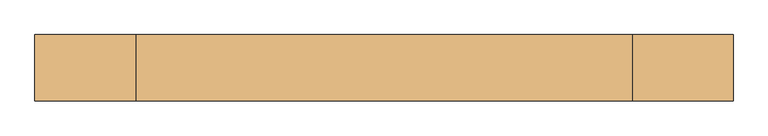
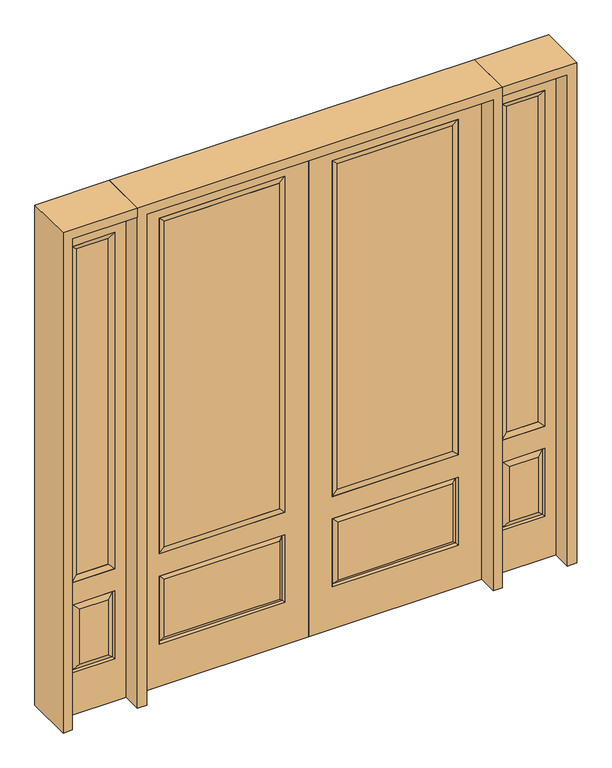
"""IFC4 building model written with IfcOpenShell, lengths in millimetres: door geometry."""

from ifc_helpers import new_model, si_unit, frame, origin, place, context, project, spatial, polyline, outline, extrude, faceted_brep, source, transform, mapped, element, save


def door_1407e17b(model_context):
    return source(origin(), model_context, "Body", "SolidModel", [
        extrude(outline(polyline([(136.525, -20.32), (136.525, 5.08), (676.275, 5.08), (676.275, -20.32), (136.525, -20.32)])), frame((0.0, 0.0, 682.498), z_axis=(0.0, 0.0, 1.0), x_axis=(1.0, 0.0, 0.0)), (0.0, 0.0, 1.0), 1616.202),
        faceted_brep([(694.5661499, -12.7912373, 216.6588501), (677.06875, -22.225, 234.15625), (135.73125, -22.225, 234.15625), (118.2338501, -12.7912373, 216.6588501), (111.125, -22.225, 209.55), (701.675, -22.225, 209.55), (701.675, -22.225, 546.1), (694.5661499, -12.7912373, 538.9911499), (0.0, -22.225, 2438.4), (0.0, -22.225, 0.0), (812.8, -22.225, 0.0), (812.8, -22.225, 2438.4), (111.125, -22.225, 546.1), (111.125, -22.225, 2324.1), (701.675, -22.225, 2324.1), (701.675, -22.225, 657.098), (111.125, -22.225, 657.098), (677.06875, -22.225, 521.49375), (135.73125, -22.225, 521.49375), (118.2338501, -12.7912373, 538.9911499), (812.8, 22.225, 0.0), (812.8, 22.225, 2438.4), (0.0, 22.225, 0.0), (0.0, 22.225, 2438.4), (111.125, 22.225, 657.098), (111.125, 22.225, 2324.1), (701.675, 22.225, 657.098), (701.675, 22.225, 2324.1), (135.73125, 22.225, 234.15625), (135.73125, 22.225, 521.49375), (677.06875, 22.225, 521.49375), (677.06875, 22.225, 234.15625), (701.675, 22.225, 209.55), (701.675, 22.225, 546.1), (111.125, 22.225, 546.1), (111.125, 22.225, 209.55), (118.2338501, 12.7912373, 216.6588501), (694.5661499, 12.7912373, 216.6588501), (118.2338501, 12.7912373, 538.9911499), (694.5661499, 12.7912373, 538.9911499)], [[[0, 1, 2, 3]], [[3, 4, 5, 0]], [[5, 6, 7, 0]], [[8, 9, 10, 11], [4, 12, 6, 5], [13, 14, 15, 16]], [[1, 17, 18, 2]], [[3, 19, 12, 4]], [[2, 18, 19, 3]], [[0, 7, 17, 1]], [[6, 12, 19, 7]], [[7, 19, 18, 17]], [[10, 20, 21, 11]], [[9, 22, 20, 10]], [[8, 23, 22, 9]], [[16, 24, 25, 13]], [[15, 26, 24, 16]], [[14, 27, 26, 15]], [[28, 29, 30, 31]], [[23, 21, 20, 22], [25, 24, 26, 27], [32, 33, 34, 35]], [[32, 35, 36, 37]], [[35, 34, 38, 36]], [[39, 38, 34, 33]], [[37, 39, 33, 32]], [[36, 28, 31, 37]], [[31, 30, 39, 37]], [[30, 29, 38, 39]], [[36, 38, 29, 28]], [[11, 21, 23, 8]], [[13, 25, 27, 14]]]),
        faceted_brep([(701.675, -22.225, 2324.1), (701.675, -22.225, 657.098), (701.675, 22.225, 657.098), (701.675, 22.225, 2324.1), (111.125, -22.225, 657.098), (111.125, 22.225, 657.098), (136.525, 5.08, 682.498), (676.275, 5.08, 682.498), (111.125, -22.225, 2324.1), (111.125, 22.225, 2324.1), (676.275, -20.32, 682.498), (136.525, -20.32, 682.498), (676.275, -20.32, 2298.7), (136.525, -20.32, 2298.7), (676.275, 5.08, 2298.7), (136.525, 5.08, 2298.7)], [[[0, 1, 2, 3]], [[1, 4, 5, 2]], [[2, 5, 6, 7]], [[4, 8, 9, 5]], [[10, 11, 4, 1]], [[12, 10, 1, 0]], [[11, 13, 8, 4]], [[7, 6, 11, 10]], [[14, 7, 10, 12]], [[6, 15, 13, 11]], [[3, 2, 7, 14]], [[5, 9, 15, 6]], [[8, 0, 3, 9]], [[13, 12, 0, 8]], [[15, 14, 12, 13]], [[9, 3, 14, 15]]]),
        faceted_brep([(857.25, -22.225, 0.0), (1162.05, -22.225, 0.0), (1162.05, -22.225, 2438.4), (857.25, -22.225, 2438.4), (1109.98, -22.225, 2325.624), (1109.98, -22.225, 657.098), (909.32, -22.225, 657.098), (909.32, -22.225, 2325.624), (1109.98, -22.225, 209.55), (909.32, -22.225, 209.55), (909.32, -22.225, 546.1), (1109.98, -22.225, 546.1), (941.0351001, -22.225, 241.2651001), (1078.2648999, -22.225, 241.2651001), (1078.2648999, -22.225, 514.3848999), (941.0351001, -22.225, 514.3848999), (857.25, 22.225, 0.0), (857.25, 22.225, 2438.4), (1162.05, 22.225, 2438.4), (1162.05, 22.225, 0.0), (1109.98, 22.225, 2325.624), (909.32, 22.225, 2325.624), (909.32, 22.225, 657.098), (1109.98, 22.225, 657.098), (909.32, 22.225, 209.55), (1109.98, 22.225, 209.55), (1109.98, 22.225, 546.1), (909.32, 22.225, 546.1), (1078.2648999, 22.225, 241.2651001), (941.0351001, 22.225, 241.2651001), (941.0351001, 22.225, 514.3848999), (1078.2648999, 22.225, 514.3848999), (1102.8711499, 12.7912373, 216.6588501), (916.4288501, 12.7912373, 216.6588501), (916.4288501, 12.7912373, 538.9911499), (1102.8711499, 12.7912373, 538.9911499), (916.4288501, -12.7912373, 216.6588501), (1102.8711499, -12.7912373, 216.6588501), (916.4288501, -12.7912373, 538.9911499), (1102.8711499, -12.7912373, 538.9911499)], [[[0, 1, 2, 3], [4, 5, 6, 7], [8, 9, 10, 11]], [[12, 13, 14, 15]], [[16, 17, 18, 19], [20, 21, 22, 23], [24, 25, 26, 27]], [[28, 29, 30, 31]], [[1, 0, 16, 19]], [[2, 1, 19, 18]], [[3, 2, 18, 17]], [[0, 3, 17, 16]], [[5, 4, 20, 23]], [[6, 5, 23, 22]], [[7, 6, 22, 21]], [[4, 7, 21, 20]], [[32, 33, 29, 28]], [[33, 32, 25, 24]], [[29, 33, 34, 30]], [[33, 24, 27, 34]], [[30, 34, 35, 31]], [[34, 27, 26, 35]], [[32, 28, 31, 35]], [[25, 32, 35, 26]], [[12, 36, 37, 13]], [[37, 36, 9, 8]], [[36, 12, 15, 38]], [[9, 36, 38, 10]], [[38, 15, 14, 39]], [[10, 38, 39, 11]], [[13, 37, 39, 14]], [[37, 8, 11, 39]]]),
        faceted_brep([(909.32, 22.225, 2325.624), (909.32, -22.225, 2325.624), (1109.98, -22.225, 2325.624), (1109.98, 22.225, 2325.624), (934.72, 12.7, 2300.224), (1084.58, 12.7, 2300.224), (934.72, -12.7, 2300.224), (1084.58, -12.7, 2300.224), (1109.98, -22.225, 657.098), (1109.98, 22.225, 657.098), (1084.58, 12.7, 682.498), (1084.58, -12.7, 682.498), (909.32, -22.225, 657.098), (909.32, 22.225, 657.098), (934.72, 12.7, 682.498), (934.72, -12.7, 682.498)], [[[0, 1, 2, 3]], [[4, 0, 3, 5]], [[6, 4, 5, 7]], [[1, 6, 7, 2]], [[3, 2, 8, 9]], [[5, 3, 9, 10]], [[7, 5, 10, 11]], [[2, 7, 11, 8]], [[9, 8, 12, 13]], [[10, 9, 13, 14]], [[11, 10, 14, 15]], [[8, 11, 15, 12]], [[13, 12, 1, 0]], [[14, 13, 0, 4]], [[15, 14, 4, 6]], [[12, 15, 6, 1]]]),
        extrude(outline(polyline([(1084.58, -12.7), (934.72, -12.7), (934.72, 12.7), (1084.58, 12.7), (1084.58, -12.7)])), frame((0.0, 0.0, 682.498), z_axis=(0.0, 0.0, 1.0), x_axis=(1.0, 0.0, 0.0)), (0.0, 0.0, 1.0), 1617.726),
        faceted_brep([(-1162.05, -22.225, 0.0), (-857.25, -22.225, 0.0), (-857.25, -22.225, 2438.4), (-1162.05, -22.225, 2438.4), (-909.32, -22.225, 2325.624), (-909.32, -22.225, 657.098), (-1109.98, -22.225, 657.098), (-1109.98, -22.225, 2325.624), (-909.32, -22.225, 209.55), (-1109.98, -22.225, 209.55), (-1109.98, -22.225, 546.1), (-909.32, -22.225, 546.1), (-1078.2648999, -22.225, 241.2651001), (-941.0351001, -22.225, 241.2651001), (-941.0351001, -22.225, 514.3848999), (-1078.2648999, -22.225, 514.3848999), (-1162.05, 22.225, 0.0), (-1162.05, 22.225, 2438.4), (-857.25, 22.225, 2438.4), (-857.25, 22.225, 0.0), (-909.32, 22.225, 2325.624), (-1109.98, 22.225, 2325.624), (-1109.98, 22.225, 657.098), (-909.32, 22.225, 657.098), (-1109.98, 22.225, 209.55), (-909.32, 22.225, 209.55), (-909.32, 22.225, 546.1), (-1109.98, 22.225, 546.1), (-941.0351001, 22.225, 241.2651001), (-1078.2648999, 22.225, 241.2651001), (-1078.2648999, 22.225, 514.3848999), (-941.0351001, 22.225, 514.3848999), (-916.4288501, 12.7912373, 216.6588501), (-1102.8711499, 12.7912373, 216.6588501), (-1102.8711499, 12.7912373, 538.9911499), (-916.4288501, 12.7912373, 538.9911499), (-1102.8711499, -12.7912373, 216.6588501), (-916.4288501, -12.7912373, 216.6588501), (-1102.8711499, -12.7912373, 538.9911499), (-916.4288501, -12.7912373, 538.9911499)], [[[0, 1, 2, 3], [4, 5, 6, 7], [8, 9, 10, 11]], [[12, 13, 14, 15]], [[16, 17, 18, 19], [20, 21, 22, 23], [24, 25, 26, 27]], [[28, 29, 30, 31]], [[1, 0, 16, 19]], [[2, 1, 19, 18]], [[3, 2, 18, 17]], [[0, 3, 17, 16]], [[5, 4, 20, 23]], [[6, 5, 23, 22]], [[7, 6, 22, 21]], [[4, 7, 21, 20]], [[32, 33, 29, 28]], [[33, 32, 25, 24]], [[29, 33, 34, 30]], [[33, 24, 27, 34]], [[30, 34, 35, 31]], [[34, 27, 26, 35]], [[32, 28, 31, 35]], [[25, 32, 35, 26]], [[12, 36, 37, 13]], [[37, 36, 9, 8]], [[36, 12, 15, 38]], [[9, 36, 38, 10]], [[38, 15, 14, 39]], [[10, 38, 39, 11]], [[13, 37, 39, 14]], [[37, 8, 11, 39]]]),
        faceted_brep([(-1109.98, 22.225, 2325.624), (-1109.98, -22.225, 2325.624), (-909.32, -22.225, 2325.624), (-909.32, 22.225, 2325.624), (-1084.58, 12.7, 2300.224), (-934.72, 12.7, 2300.224), (-1084.58, -12.7, 2300.224), (-934.72, -12.7, 2300.224), (-909.32, -22.225, 657.098), (-909.32, 22.225, 657.098), (-934.72, 12.7, 682.498), (-934.72, -12.7, 682.498), (-1109.98, -22.225, 657.098), (-1109.98, 22.225, 657.098), (-1084.58, 12.7, 682.498), (-1084.58, -12.7, 682.498)], [[[0, 1, 2, 3]], [[4, 0, 3, 5]], [[6, 4, 5, 7]], [[1, 6, 7, 2]], [[3, 2, 8, 9]], [[5, 3, 9, 10]], [[7, 5, 10, 11]], [[2, 7, 11, 8]], [[9, 8, 12, 13]], [[10, 9, 13, 14]], [[11, 10, 14, 15]], [[8, 11, 15, 12]], [[13, 12, 1, 0]], [[14, 13, 0, 4]], [[15, 14, 4, 6]], [[12, 15, 6, 1]]]),
        extrude(outline(polyline([(-934.72, -12.7), (-1084.58, -12.7), (-1084.58, 12.7), (-934.72, 12.7), (-934.72, -12.7)])), frame((0.0, 0.0, 682.498), z_axis=(0.0, 0.0, 1.0), x_axis=(1.0, 0.0, 0.0)), (0.0, 0.0, 1.0), 1617.726),
        extrude(outline(polyline([(-136.525, -20.32), (-676.275, -20.32), (-676.275, 5.08), (-136.525, 5.08), (-136.525, -20.32)])), frame((0.0, 0.0, 682.498), z_axis=(0.0, 0.0, 1.0), x_axis=(1.0, 0.0, 0.0)), (0.0, 0.0, 1.0), 1616.202),
        faceted_brep([(-694.5661499, -12.7912373, 216.6588501), (-118.2338501, -12.7912373, 216.6588501), (-135.73125, -22.225, 234.15625), (-677.06875, -22.225, 234.15625), (-701.675, -22.225, 209.55), (-111.125, -22.225, 209.55), (-694.5661499, -12.7912373, 538.9911499), (-701.675, -22.225, 546.1), (-135.73125, -22.225, 521.49375), (-677.06875, -22.225, 521.49375), (0.0, -22.225, 2438.4), (-812.8, -22.225, 2438.4), (-812.8, -22.225, 0.0), (0.0, -22.225, 0.0), (-111.125, -22.225, 546.1), (-111.125, -22.225, 2324.1), (-111.125, -22.225, 657.098), (-701.675, -22.225, 657.098), (-701.675, -22.225, 2324.1), (-118.2338501, -12.7912373, 538.9911499), (-812.8, 22.225, 2438.4), (-812.8, 22.225, 0.0), (0.0, 22.225, 0.0), (0.0, 22.225, 2438.4), (-111.125, 22.225, 2324.1), (-111.125, 22.225, 657.098), (-701.675, 22.225, 657.098), (-701.675, 22.225, 2324.1), (-701.675, 22.225, 209.55), (-111.125, 22.225, 209.55), (-111.125, 22.225, 546.1), (-701.675, 22.225, 546.1), (-135.73125, 22.225, 234.15625), (-677.06875, 22.225, 234.15625), (-677.06875, 22.225, 521.49375), (-135.73125, 22.225, 521.49375), (-694.5661499, 12.7912373, 216.6588501), (-118.2338501, 12.7912373, 216.6588501), (-118.2338501, 12.7912373, 538.9911499), (-694.5661499, 12.7912373, 538.9911499)], [[[0, 1, 2, 3]], [[1, 0, 4, 5]], [[4, 0, 6, 7]], [[3, 2, 8, 9]], [[10, 11, 12, 13], [5, 4, 7, 14], [15, 16, 17, 18]], [[1, 5, 14, 19]], [[2, 1, 19, 8]], [[0, 3, 9, 6]], [[7, 6, 19, 14]], [[6, 9, 8, 19]], [[12, 11, 20, 21]], [[13, 12, 21, 22]], [[10, 13, 22, 23]], [[16, 15, 24, 25]], [[17, 16, 25, 26]], [[18, 17, 26, 27]], [[23, 22, 21, 20], [28, 29, 30, 31], [24, 27, 26, 25]], [[32, 33, 34, 35]], [[28, 36, 37, 29]], [[29, 37, 38, 30]], [[39, 31, 30, 38]], [[36, 28, 31, 39]], [[37, 36, 33, 32]], [[33, 36, 39, 34]], [[34, 39, 38, 35]], [[37, 32, 35, 38]], [[11, 10, 23, 20]], [[15, 18, 27, 24]]]),
        faceted_brep([(-701.675, -22.225, 2324.1), (-701.675, 22.225, 2324.1), (-701.675, 22.225, 657.098), (-701.675, -22.225, 657.098), (-111.125, 22.225, 657.098), (-111.125, -22.225, 657.098), (-676.275, 5.08, 682.498), (-136.525, 5.08, 682.498), (-111.125, 22.225, 2324.1), (-111.125, -22.225, 2324.1), (-676.275, -20.32, 682.498), (-136.525, -20.32, 682.498), (-676.275, -20.32, 2298.7), (-136.525, -20.32, 2298.7), (-676.275, 5.08, 2298.7), (-136.525, 5.08, 2298.7)], [[[0, 1, 2, 3]], [[3, 2, 4, 5]], [[2, 6, 7, 4]], [[5, 4, 8, 9]], [[10, 3, 5, 11]], [[12, 0, 3, 10]], [[11, 5, 9, 13]], [[6, 10, 11, 7]], [[14, 12, 10, 6]], [[7, 11, 13, 15]], [[1, 14, 6, 2]], [[4, 7, 15, 8]], [[9, 8, 1, 0]], [[13, 9, 0, 12]], [[15, 13, 12, 14]], [[8, 15, 14, 1]]]),
        extrude(outline(polyline([(2438.4, -857.25), (2482.85, -857.25), (2482.85, -1206.5), (0.0, -1206.5), (0.0, -1162.05), (2438.4, -1162.05), (2438.4, -857.25)])), frame((0.0, -114.3, 0.0), z_axis=(0.0, 1.0, 0.0), x_axis=(0.0, 0.0, 1.0)), (0.0, 0.0, 1.0), 228.6),
        extrude(outline(polyline([(2482.85, -857.25), (0.0, -857.25), (0.0, -812.8), (2438.4, -812.8), (2438.4, 812.8), (0.0, 812.8), (0.0, 857.25), (2482.85, 857.25), (2482.85, -857.25)])), frame((0.0, -114.3, 0.0), z_axis=(0.0, 1.0, 0.0), x_axis=(0.0, 0.0, 1.0)), (0.0, 0.0, 1.0), 228.6),
        extrude(outline(polyline([(0.0, 1162.05), (0.0, 1206.5), (2482.85, 1206.5), (2482.85, 857.25), (2438.4, 857.25), (2438.4, 1162.05), (0.0, 1162.05)])), frame((0.0, -114.3, 0.0), z_axis=(0.0, 1.0, 0.0), x_axis=(0.0, 0.0, 1.0)), (0.0, 0.0, 1.0), 228.6),
    ])


if __name__ == "__main__":
    model = new_model("IFC4")
    model_context = context("Model", 3, world=origin())
    ifc_project = project(units=[si_unit("LENGTHUNIT", "METRE", prefix="MILLI")], contexts=[model_context])
    site = spatial("IfcSite", under=ifc_project)
    building = spatial("IfcBuilding", under=site)
    placement = place(None, origin())
    door_shape = door_1407e17b(model_context)
    element("IfcDoor", 1, at=placement, inside=building, context=model_context, shape_type="MappedRepresentation", body=[
        mapped(door_shape, transform((0.0, 0.0, 0.0), x_axis=(1.0, 0.0, 0.0), y_axis=(0.0, 1.0, 0.0), z_axis=(0.0, 0.0, 1.0))),
    ])
    save(model, "model.ifc")
